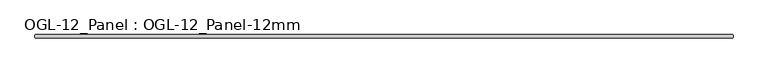
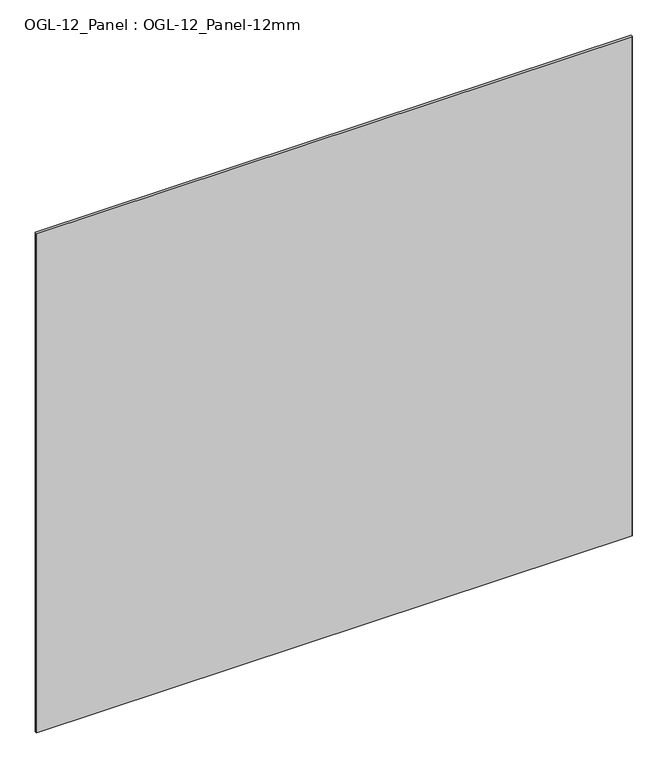
"""IFC4 building model written with IfcOpenShell, lengths in millimetres: plate geometry, OGL-12_Panel : OGL-12_Panel-12mm."""

from ifc_helpers import new_model, si_unit, origin, origin_with_axes, place, context, project, spatial, polyline, outline, extrude, source, transform, mapped, element, save


def ogl_12_panel_ogl_12_panel_12mm_3c73771d(model_context):
    return source(origin(), model_context, "Body", "SweptSolid", [
        extrude(outline(polyline([(1320.0080201, 29.1703125), (1321.5955201, 27.5828125), (1321.5955201, 18.0578125), (1320.0080201, 16.4703125), (-1320.0080201, 16.4703125), (-1321.5955201, 18.0578125), (-1321.5955201, 27.5828125), (-1320.0080201, 29.1703125), (1320.0080201, 29.1703125)])), origin_with_axes(), (0.0, 0.0, 1.0), 2339.914687),
    ])


if __name__ == "__main__":
    model = new_model("IFC4")
    model_context = context("Model", 3, world=origin())
    ifc_project = project(units=[si_unit("LENGTHUNIT", "METRE", prefix="MILLI")], contexts=[model_context])
    site = spatial("IfcSite", under=ifc_project)
    building = spatial("IfcBuilding", under=site)
    placement = place(None, origin())
    ogl_12_panel_ogl_12_panel_12mm_shape = ogl_12_panel_ogl_12_panel_12mm_3c73771d(model_context)
    element("IfcPlate", 1, ObjectType="OGL-12_Panel : OGL-12_Panel-12mm", at=placement, inside=building, context=model_context, shape_type="MappedRepresentation", body=[
        mapped(ogl_12_panel_ogl_12_panel_12mm_shape, transform((0.0, 0.0, 0.0), x_axis=(1.0, 0.0, 0.0), y_axis=(0.0, 1.0, 0.0), z_axis=(0.0, 0.0, 1.0))),
    ])
    save(model, "model.ifc")
